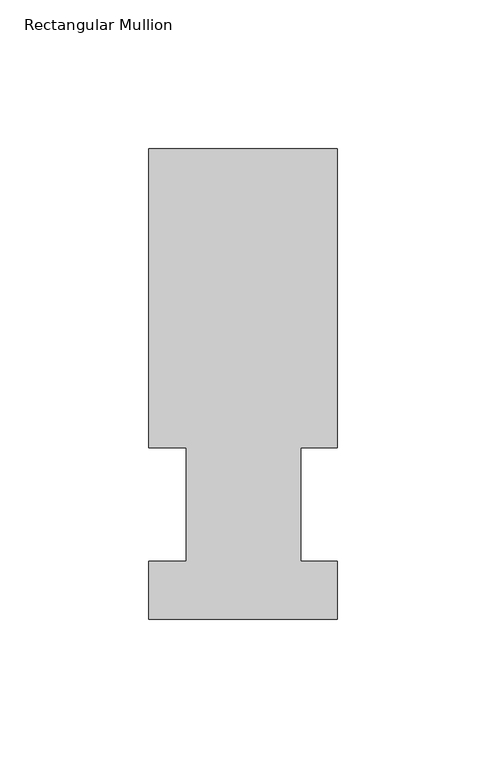
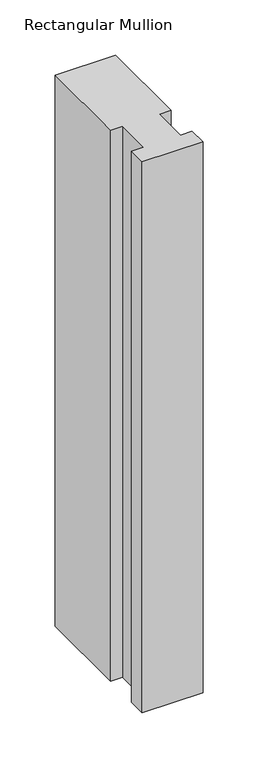
"""IFC4 building model written with IfcOpenShell, lengths in millimetres: member geometry, Rectangular Mullion."""

from ifc_helpers import new_model, si_unit, frame, origin, place, context, project, spatial, polyline, outline, extrude, source, transform, mapped, element, save


def rectangular_mullion_3eac622e(model_context):
    return source(origin(), model_context, "Body", "SweptSolid", [
        extrude(outline(polyline([(-63.5, 57.6460937), (-63.5, 158.3316937), (0.0, 158.3316937), (0.0, 57.6460938), (-12.3418395, 57.6460937), (-12.3418395, 19.5460937), (0.0, 19.5460937), (0.0, 0.0134938), (-63.5, 0.0134938), (-63.5, 19.5460937), (-50.8, 19.5460937), (-50.8, 57.6460937), (-63.5, 57.6460937)])), frame((0.0, 0.0, -609.6), z_axis=(0.0, 0.0, 1.0), x_axis=(1.0, 0.0, 0.0)), (0.0, 0.0, 1.0), 609.6),
    ])


if __name__ == "__main__":
    model = new_model("IFC4")
    model_context = context("Model", 3, world=origin())
    ifc_project = project(units=[si_unit("LENGTHUNIT", "METRE", prefix="MILLI")], contexts=[model_context])
    site = spatial("IfcSite", under=ifc_project)
    building = spatial("IfcBuilding", under=site)
    placement = place(None, origin())
    rectangular_mullion_shape = rectangular_mullion_3eac622e(model_context)
    element("IfcMember", 1, ObjectType="Rectangular Mullion", at=placement, inside=building, context=model_context, shape_type="MappedRepresentation", body=[
        mapped(rectangular_mullion_shape, transform((0.0, 0.0, 0.0), x_axis=(1.0, 0.0, 0.0), y_axis=(0.0, 1.0, 0.0), z_axis=(0.0, 0.0, 1.0))),
    ])
    save(model, "model.ifc")
